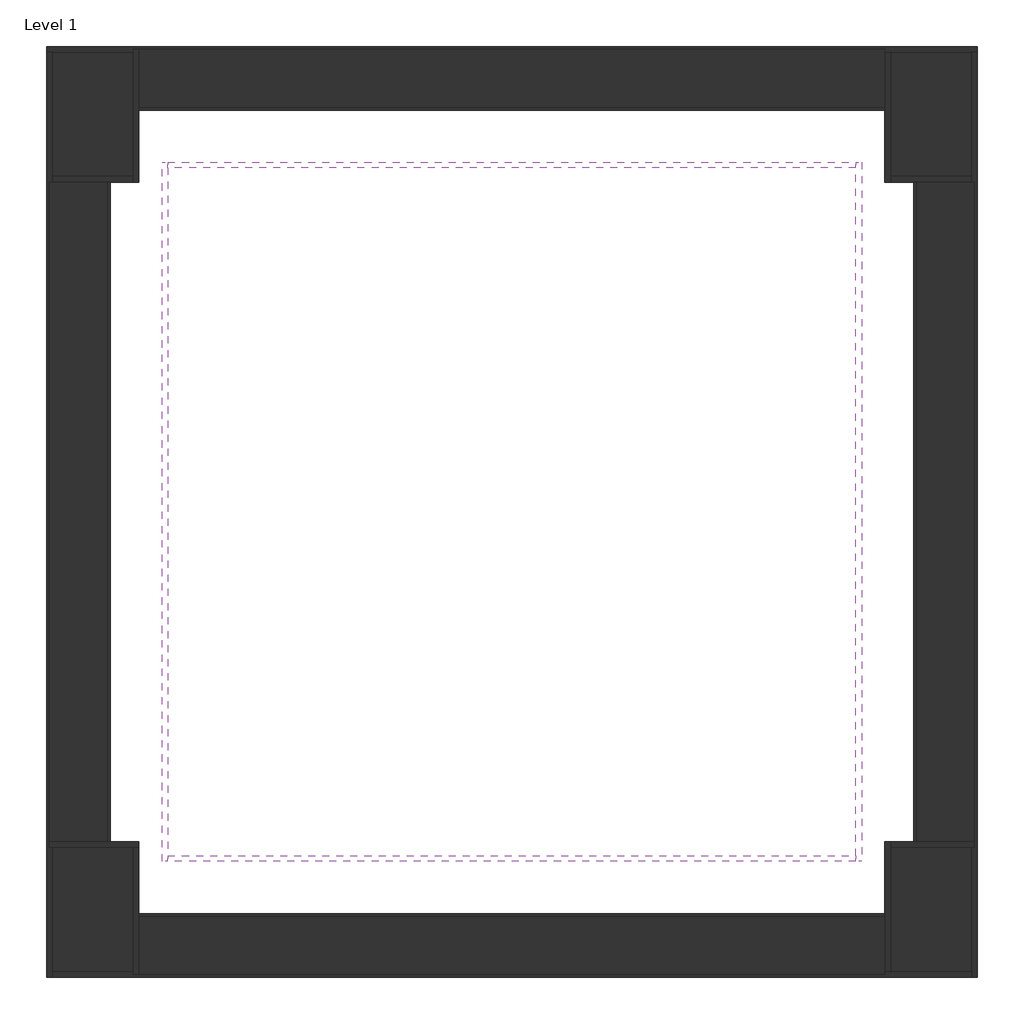
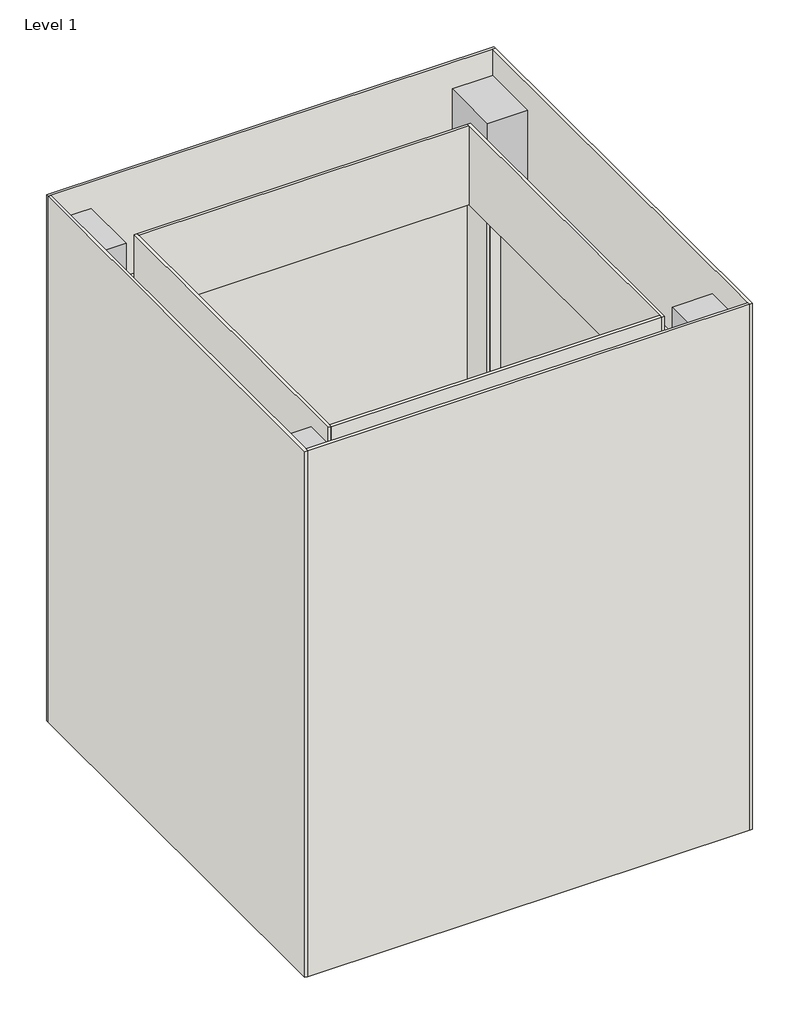
# One storey: 24 walls, 4 columns.
"""IFC4 building model written with IfcOpenShell, lengths in millimetres."""

from ifc_helpers import new_model, si_unit, frame, origin, origin_with_axes, place, context, project, spatial, polyline, outline, extrude, faceted_brep, element, save

model = new_model("IFC4")

# Units and contexts
model_context = context("Model", 3, world=origin())
ifc_project = project(units=[si_unit("LENGTHUNIT", "METRE", prefix="MILLI")], contexts=[model_context])

# Site, building, storey
site = spatial("IfcSite", under=ifc_project)
building = spatial("IfcBuilding", under=site)
storey = spatial("IfcBuildingStorey", under=building, Name="Level 1", Elevation=0.0)

# Columns
placement = place(None, origin())
element("IfcColumn", 1, ObjectType="Concrete Rectangular : 300 x 450mm", at=placement, inside=storey, context=model_context, shape_type="SweptSolid", body=[
    extrude(outline(polyline([(2720.1900238, 3521.0213777), (2720.1900238, 3071.0213777), (2420.1900238, 3071.0213777), (2420.1900238, 3521.0213777), (2720.1900238, 3521.0213777)])), origin_with_axes(), (0.0, 0.0, 1.0), 3800.0),
])
element("IfcColumn", 2, ObjectType="Concrete Rectangular : 300 x 450mm", at=placement, inside=storey, context=model_context, shape_type="SweptSolid", body=[
    extrude(outline(polyline([(5620.1900238, 3521.0213777), (5620.1900238, 3071.0213777), (5320.1900238, 3071.0213777), (5320.1900238, 3521.0213777), (5620.1900238, 3521.0213777)])), origin_with_axes(), (0.0, 0.0, 1.0), 3800.0),
])
element("IfcColumn", 3, ObjectType="Concrete Rectangular : 300 x 450mm", at=placement, inside=storey, context=model_context, shape_type="Brep", body=[
    faceted_brep([(5620.1900238, 771.0213777, 0.0), (5620.1900238, 321.0213777, 0.0), (5320.1900238, 321.0213777, 0.0), (5320.1900238, 771.0213777, 0.0), (5620.1900238, 771.0213777, 3200.0), (5620.1900238, 771.0213777, 3800.0), (5620.1900238, 321.0213777, 3800.0), (5320.1900238, 321.0213777, 3800.0), (5320.1900238, 321.0213777, 3200.0), (5320.1900238, 771.0213777, 3800.0), (5320.1900238, 771.0213777, 3200.0)], [[[0, 1, 2, 3]], [[1, 0, 4, 5, 6]], [[2, 1, 6, 7, 8]], [[3, 2, 8, 7, 9, 10]], [[0, 3, 10, 9, 5, 4]], [[6, 5, 9, 7]]]),
])
element("IfcColumn", 4, ObjectType="Concrete Rectangular : 300 x 450mm", at=placement, inside=storey, context=model_context, shape_type="SweptSolid", body=[
    extrude(outline(polyline([(2720.1900238, 771.0213777), (2720.1900238, 321.0213777), (2420.1900238, 321.0213777), (2420.1900238, 771.0213777), (2720.1900238, 771.0213777)])), origin_with_axes(), (0.0, 0.0, 1.0), 3800.0),
])

# Walls
element("IfcWall", 5, ObjectType="Wall 1", at=placement, inside=storey, context=model_context, shape_type="SweptSolid", body=[
    extrude(outline(polyline([(5310.5181077, 3321.0213777), (2729.8619398, 3321.0213777), (2729.8619398, 3521.0213777), (5310.5181077, 3521.0213777), (5310.5181077, 3321.0213777)])), origin_with_axes(), (0.0, 0.0, 1.0), 3200.0),
])
element("IfcWall", 6, ObjectType="Wall 1", at=placement, inside=storey, context=model_context, shape_type="SweptSolid", body=[
    extrude(outline(polyline([(2620.1900238, 3061.3494617), (2620.1900238, 780.6932937), (2420.1900238, 780.6932937), (2420.1900238, 3061.3494617), (2620.1900238, 3061.3494617)])), origin_with_axes(), (0.0, 0.0, 1.0), 3200.0),
])
element("IfcWall", 7, ObjectType="Wall 1", at=placement, inside=storey, context=model_context, shape_type="SweptSolid", body=[
    extrude(outline(polyline([(2729.8619398, 521.0213777), (5310.5181077, 521.0213777), (5310.5181077, 321.0213777), (2729.8619398, 321.0213777), (2729.8619398, 521.0213777)])), origin_with_axes(), (0.0, 0.0, 1.0), 3200.0),
])
element("IfcWall", 8, ObjectType="Wall 1", at=placement, inside=storey, context=model_context, shape_type="SweptSolid", body=[
    extrude(outline(polyline([(5420.1900238, 780.6932937), (5420.1900238, 3061.3494617), (5620.1900238, 3061.3494617), (5620.1900238, 780.6932937), (5420.1900238, 780.6932937)])), origin_with_axes(), (0.0, 0.0, 1.0), 3200.0),
])
element("IfcWall", 9, ObjectType="Wall 2", at=placement, inside=storey, context=model_context, shape_type="SweptSolid", body=[
    extrude(outline(polyline([(5429.8619398, 3061.3494617), (5429.8619398, 780.6932937), (5409.8619398, 780.6932937), (5409.8619398, 3061.3494617), (5429.8619398, 3061.3494617)])), origin_with_axes(), (0.0, 0.0, 1.0), 3200.0),
])
element("IfcWall", 10, ObjectType="Wall 2", at=placement, inside=storey, context=model_context, shape_type="SweptSolid", body=[
    extrude(outline(polyline([(5310.5181077, 511.3494617), (2729.8619398, 511.3494617), (2729.8619398, 531.3494617), (5310.5181077, 531.3494617), (5310.5181077, 511.3494617)])), origin_with_axes(), (0.0, 0.0, 1.0), 3200.0),
])
element("IfcWall", 11, ObjectType="Wall 2", at=placement, inside=storey, context=model_context, shape_type="SweptSolid", body=[
    extrude(outline(polyline([(2610.5181077, 780.6932937), (2610.5181077, 3061.3494617), (2630.5181077, 3061.3494617), (2630.5181077, 780.6932937), (2610.5181077, 780.6932937)])), origin_with_axes(), (0.0, 0.0, 1.0), 3200.0),
])
element("IfcWall", 12, ObjectType="Wall 2", at=placement, inside=storey, context=model_context, shape_type="SweptSolid", body=[
    extrude(outline(polyline([(2729.8619398, 3330.6932937), (5310.5181077, 3330.6932937), (5310.5181077, 3310.6932937), (2729.8619398, 3310.6932937), (2729.8619398, 3330.6932937)])), origin_with_axes(), (0.0, 0.0, 1.0), 3200.0),
])
element("IfcWall", 13, ObjectType="Wall 2", at=placement, inside=storey, context=model_context, shape_type="Brep", body=[
    faceted_brep([(2810.5181077, 3130.6932937, 3200.0), (2810.5181077, 711.3494617, 3200.0), (2810.5181077, 711.3494617, 3800.0), (2810.5181077, 3130.6932937, 3800.0), (2830.5181077, 3130.6932937, 3200.0), (2830.5181077, 3130.6932937, 3800.0), (2830.5181077, 3110.6932937, 3800.0), (2830.5181077, 731.3494617, 3800.0), (2830.5181077, 711.3494617, 3800.0), (2830.5181077, 711.3494617, 3200.0), (2830.5181077, 731.3494617, 3200.0), (2830.5181077, 3110.6932937, 3200.0)], [[[0, 1, 2, 3]], [[4, 5, 6, 7, 8, 9, 10, 11]], [[1, 0, 4, 11, 10, 9]], [[3, 2, 8, 7, 6, 5]], [[0, 3, 5, 4]], [[2, 1, 9, 8]]]),
])
element("IfcWall", 14, ObjectType="Wall 2", at=placement, inside=storey, context=model_context, shape_type="Brep", body=[
    faceted_brep([(5229.8619398, 711.3494617, 3200.0), (5229.8619398, 3130.6932937, 3200.0), (5229.8619398, 3130.6932937, 3800.0), (5229.8619398, 711.3494617, 3800.0), (5209.8619398, 711.3494617, 3200.0), (5209.8619398, 711.3494617, 3800.0), (5209.8619398, 731.3494617, 3800.0), (5209.8619398, 3110.6932937, 3800.0), (5209.8619398, 3130.6932937, 3800.0), (5209.8619398, 3130.6932937, 3200.0), (5209.8619398, 3110.6932937, 3200.0), (5209.8619398, 731.3494617, 3200.0)], [[[0, 1, 2, 3]], [[4, 5, 6, 7, 8, 9, 10, 11]], [[1, 0, 4, 11, 10, 9]], [[3, 2, 8, 7, 6, 5]], [[0, 3, 5, 4]], [[2, 1, 9, 8]]]),
])
element("IfcWall", 15, ObjectType="Wall 2", at=placement, inside=storey, context=model_context, shape_type="SweptSolid", body=[
    extrude(outline(polyline([(5209.8619398, 711.3494617), (2830.5181077, 711.3494617), (2830.5181077, 731.3494617), (5209.8619398, 731.3494617), (5209.8619398, 711.3494617)])), frame((0.0, 0.0, 3200.0), z_axis=(0.0, 0.0, 1.0), x_axis=(1.0, 0.0, 0.0)), (0.0, 0.0, 1.0), 600.0),
])
element("IfcWall", 16, ObjectType="Wall 2", at=placement, inside=storey, context=model_context, shape_type="SweptSolid", body=[
    extrude(outline(polyline([(2830.5181077, 3130.6932937), (5209.8619398, 3130.6932937), (5209.8619398, 3110.6932937), (2830.5181077, 3110.6932937), (2830.5181077, 3130.6932937)])), frame((0.0, 0.0, 3200.0), z_axis=(0.0, 0.0, 1.0), x_axis=(1.0, 0.0, 0.0)), (0.0, 0.0, 1.0), 600.0),
])
element("IfcWall", 17, ObjectType="Wall 2", at=placement, inside=storey, context=model_context, shape_type="Brep", body=[
    faceted_brep([(5310.5181077, 3521.0213777, 0.0), (5310.5181077, 3330.6932937, 0.0), (5310.5181077, 3321.0213777, 0.0), (5310.5181077, 3310.6932937, 0.0), (5310.5181077, 3061.3494617, 0.0), (5310.5181077, 3061.3494617, 3200.0), (5310.5181077, 3310.6932937, 3200.0), (5310.5181077, 3321.0213777, 3200.0), (5310.5181077, 3330.6932937, 3200.0), (5310.5181077, 3521.0213777, 3200.0), (5330.5181077, 3521.0213777, 0.0), (5330.5181077, 3521.0213777, 3200.0), (5330.5181077, 3081.3494617, 3200.0), (5330.5181077, 3061.3494617, 3200.0), (5330.5181077, 3061.3494617, 0.0), (5330.5181077, 3081.3494617, 0.0)], [[[0, 1, 2, 3, 4, 5, 6, 7, 8, 9]], [[10, 11, 12, 13, 14, 15]], [[4, 3, 2, 1, 0, 10, 15, 14]], [[9, 8, 7, 6, 5, 13, 12, 11]], [[0, 9, 11, 10]], [[5, 4, 14, 13]]]),
])
element("IfcWall", 18, ObjectType="Wall 2", at=placement, inside=storey, context=model_context, shape_type="Brep", body=[
    faceted_brep([(2729.8619398, 3061.3494617, 0.0), (2729.8619398, 3310.6932937, 0.0), (2729.8619398, 3321.0213777, 0.0), (2729.8619398, 3330.6932937, 0.0), (2729.8619398, 3521.0213777, 0.0), (2729.8619398, 3521.0213777, 3200.0), (2729.8619398, 3330.6932937, 3200.0), (2729.8619398, 3321.0213777, 3200.0), (2729.8619398, 3310.6932937, 3200.0), (2729.8619398, 3061.3494617, 3200.0), (2709.8619398, 3061.3494617, 0.0), (2709.8619398, 3061.3494617, 3200.0), (2709.8619398, 3081.3494617, 3200.0), (2709.8619398, 3521.0213777, 3200.0), (2709.8619398, 3521.0213777, 0.0), (2709.8619398, 3081.3494617, 0.0)], [[[0, 1, 2, 3, 4, 5, 6, 7, 8, 9]], [[10, 11, 12, 13, 14, 15]], [[4, 3, 2, 1, 0, 10, 15, 14]], [[9, 8, 7, 6, 5, 13, 12, 11]], [[5, 4, 14, 13]], [[0, 9, 11, 10]]]),
])
element("IfcWall", 19, ObjectType="Wall 2", at=placement, inside=storey, context=model_context, shape_type="Brep", body=[
    faceted_brep([(2729.8619398, 780.6932937, 0.0), (2630.5181077, 780.6932937, 0.0), (2620.1900238, 780.6932937, 0.0), (2610.5181077, 780.6932937, 0.0), (2420.1900238, 780.6932937, 0.0), (2420.1900238, 780.6932937, 3200.0), (2610.5181077, 780.6932937, 3200.0), (2620.1900238, 780.6932937, 3200.0), (2630.5181077, 780.6932937, 3200.0), (2729.8619398, 780.6932937, 3200.0), (2729.8619398, 760.6932937, 0.0), (2729.8619398, 760.6932937, 3200.0), (2709.8619398, 760.6932937, 3200.0), (2420.1900238, 760.6932937, 3200.0), (2420.1900238, 760.6932937, 0.0), (2709.8619398, 760.6932937, 0.0)], [[[0, 1, 2, 3, 4, 5, 6, 7, 8, 9]], [[10, 11, 12, 13, 14, 15]], [[4, 3, 2, 1, 0, 10, 15, 14]], [[9, 8, 7, 6, 5, 13, 12, 11]], [[5, 4, 14, 13]], [[0, 9, 11, 10]]]),
])
element("IfcWall", 20, ObjectType="Wall 2", at=placement, inside=storey, context=model_context, shape_type="Brep", body=[
    faceted_brep([(2420.1900238, 3061.3494617, 0.0), (2610.5181077, 3061.3494617, 0.0), (2620.1900238, 3061.3494617, 0.0), (2630.5181077, 3061.3494617, 0.0), (2709.8619398, 3061.3494617, 0.0), (2709.8619398, 3061.3494617, 3200.0), (2630.5181077, 3061.3494617, 3200.0), (2620.1900238, 3061.3494617, 3200.0), (2610.5181077, 3061.3494617, 3200.0), (2420.1900238, 3061.3494617, 3200.0), (2420.1900238, 3081.3494617, 0.0), (2420.1900238, 3081.3494617, 3200.0), (2709.8619398, 3081.3494617, 3200.0), (2709.8619398, 3081.3494617, 0.0)], [[[0, 1, 2, 3, 4, 5, 6, 7, 8, 9]], [[10, 11, 12, 13]], [[4, 3, 2, 1, 0, 10, 13]], [[9, 8, 7, 6, 5, 12, 11]], [[0, 9, 11, 10]], [[5, 4, 13, 12]]]),
])
element("IfcWall", 21, ObjectType="Wall 2", at=placement, inside=storey, context=model_context, shape_type="Brep", body=[
    faceted_brep([(5310.5181077, 780.6932937, 0.0), (5310.5181077, 531.3494617, 0.0), (5310.5181077, 521.0213777, 0.0), (5310.5181077, 511.3494617, 0.0), (5310.5181077, 321.0213777, 0.0), (5310.5181077, 321.0213777, 3200.0), (5310.5181077, 511.3494617, 3200.0), (5310.5181077, 521.0213777, 3200.0), (5310.5181077, 531.3494617, 3200.0), (5310.5181077, 780.6932937, 3200.0), (5330.5181077, 780.6932937, 0.0), (5330.5181077, 780.6932937, 3200.0), (5330.5181077, 760.6932937, 3200.0), (5330.5181077, 321.0213777, 3200.0), (5330.5181077, 321.0213777, 0.0), (5330.5181077, 760.6932937, 0.0)], [[[0, 1, 2, 3, 4, 5, 6, 7, 8, 9]], [[10, 11, 12, 13, 14, 15]], [[4, 3, 2, 1, 0, 10, 15, 14]], [[9, 8, 7, 6, 5, 13, 12, 11]], [[5, 4, 14, 13]], [[0, 9, 11, 10]]]),
])
element("IfcWall", 22, ObjectType="Wall 2", at=placement, inside=storey, context=model_context, shape_type="Brep", body=[
    faceted_brep([(2729.8619398, 321.0213777, 0.0), (2729.8619398, 511.3494617, 0.0), (2729.8619398, 521.0213777, 0.0), (2729.8619398, 531.3494617, 0.0), (2729.8619398, 760.6932937, 0.0), (2729.8619398, 760.6932937, 3200.0), (2729.8619398, 531.3494617, 3200.0), (2729.8619398, 521.0213777, 3200.0), (2729.8619398, 511.3494617, 3200.0), (2729.8619398, 321.0213777, 3200.0), (2709.8619398, 321.0213777, 0.0), (2709.8619398, 321.0213777, 3200.0), (2709.8619398, 760.6932937, 3200.0), (2709.8619398, 760.6932937, 0.0)], [[[0, 1, 2, 3, 4, 5, 6, 7, 8, 9]], [[10, 11, 12, 13]], [[4, 3, 2, 1, 0, 10, 13]], [[9, 8, 7, 6, 5, 12, 11]], [[0, 9, 11, 10]], [[5, 4, 13, 12]]]),
])
element("IfcWall", 23, ObjectType="Wall 2", at=placement, inside=storey, context=model_context, shape_type="Brep", body=[
    faceted_brep([(5620.1900238, 780.6932937, 0.0), (5429.8619398, 780.6932937, 0.0), (5420.1900238, 780.6932937, 0.0), (5409.8619398, 780.6932937, 0.0), (5330.5181077, 780.6932937, 0.0), (5330.5181077, 780.6932937, 3200.0), (5409.8619398, 780.6932937, 3200.0), (5420.1900238, 780.6932937, 3200.0), (5429.8619398, 780.6932937, 3200.0), (5620.1900238, 780.6932937, 3200.0), (5620.1900238, 760.6932937, 0.0), (5620.1900238, 760.6932937, 3200.0), (5330.5181077, 760.6932937, 3200.0), (5330.5181077, 760.6932937, 0.0)], [[[0, 1, 2, 3, 4, 5, 6, 7, 8, 9]], [[10, 11, 12, 13]], [[4, 3, 2, 1, 0, 10, 13]], [[9, 8, 7, 6, 5, 12, 11]], [[0, 9, 11, 10]], [[5, 4, 13, 12]]]),
])
element("IfcWall", 24, ObjectType="Wall 2", at=placement, inside=storey, context=model_context, shape_type="Brep", body=[
    faceted_brep([(5330.5181077, 3061.3494617, 0.0), (5409.8619398, 3061.3494617, 0.0), (5420.1900238, 3061.3494617, 0.0), (5429.8619398, 3061.3494617, 0.0), (5620.1900238, 3061.3494617, 0.0), (5620.1900238, 3061.3494617, 3200.0), (5429.8619398, 3061.3494617, 3200.0), (5420.1900238, 3061.3494617, 3200.0), (5409.8619398, 3061.3494617, 3200.0), (5330.5181077, 3061.3494617, 3200.0), (5330.5181077, 3081.3494617, 0.0), (5330.5181077, 3081.3494617, 3200.0), (5620.1900238, 3081.3494617, 3200.0), (5620.1900238, 3081.3494617, 0.0)], [[[0, 1, 2, 3, 4, 5, 6, 7, 8, 9]], [[10, 11, 12, 13]], [[4, 3, 2, 1, 0, 10, 13]], [[9, 8, 7, 6, 5, 12, 11]], [[5, 4, 13, 12]], [[0, 9, 11, 10]]]),
])
element("IfcWall", 25, ObjectType="Wall 2", at=placement, inside=storey, context=model_context, shape_type="Brep", body=[
    faceted_brep([(5630.5181077, 3530.6932937, 0.0), (2410.5181077, 3530.6932937, 0.0), (2410.5181077, 3530.6932937, 4000.0), (5630.5181077, 3530.6932937, 4000.0), (5630.5181077, 3510.6932937, 0.0), (5630.5181077, 3510.6932937, 4000.0), (5610.5181077, 3510.6932937, 4000.0), (2430.5181077, 3510.6932937, 4000.0), (2410.5181077, 3510.6932937, 4000.0), (2410.5181077, 3510.6932937, 0.0), (2430.5181077, 3510.6932937, 0.0), (5610.5181077, 3510.6932937, 0.0)], [[[0, 1, 2, 3]], [[4, 5, 6, 7, 8, 9, 10, 11]], [[1, 0, 4, 11, 10, 9]], [[3, 2, 8, 7, 6, 5]], [[2, 1, 9, 8]], [[0, 3, 5, 4]]]),
])
element("IfcWall", 26, ObjectType="Wall 2", at=placement, inside=storey, context=model_context, shape_type="Brep", body=[
    faceted_brep([(2410.5181077, 3510.6932937, 0.0), (2410.5181077, 310.6932937, 0.0), (2410.5181077, 310.6932937, 4000.0), (2410.5181077, 3510.6932937, 4000.0), (2430.5181077, 3510.6932937, 0.0), (2430.5181077, 3510.6932937, 4000.0), (2430.5181077, 330.6932937, 4000.0), (2430.5181077, 310.6932937, 4000.0), (2430.5181077, 310.6932937, 0.0), (2430.5181077, 330.6932937, 0.0)], [[[0, 1, 2, 3]], [[4, 5, 6, 7, 8, 9]], [[1, 0, 4, 9, 8]], [[3, 2, 7, 6, 5]], [[2, 1, 8, 7]], [[0, 3, 5, 4]]]),
])
element("IfcWall", 27, ObjectType="Wall 2", at=placement, inside=storey, context=model_context, shape_type="Brep", body=[
    faceted_brep([(5610.5181077, 3510.6932937, 0.0), (5610.5181077, 330.6932937, 0.0), (5610.5181077, 310.6932937, 0.0), (5610.5181077, 310.6932937, 4000.0), (5610.5181077, 330.6932937, 4000.0), (5610.5181077, 3510.6932937, 4000.0), (5630.5181077, 3510.6932937, 0.0), (5630.5181077, 3510.6932937, 4000.0), (5630.5181077, 310.6932937, 4000.0), (5630.5181077, 310.6932937, 0.0)], [[[0, 1, 2, 3, 4, 5]], [[6, 7, 8, 9]], [[2, 1, 0, 6, 9]], [[5, 4, 3, 8, 7]], [[3, 2, 9, 8]], [[0, 5, 7, 6]]]),
])
element("IfcWall", 28, ObjectType="Wall 2", at=placement, inside=storey, context=model_context, shape_type="SweptSolid", body=[
    extrude(outline(polyline([(2430.5181077, 330.6932937), (5610.5181077, 330.6932937), (5610.5181077, 310.6932937), (2430.5181077, 310.6932937), (2430.5181077, 330.6932937)])), origin_with_axes(), (0.0, 0.0, 1.0), 4000.0),
])

save(model, "model.ifc")
